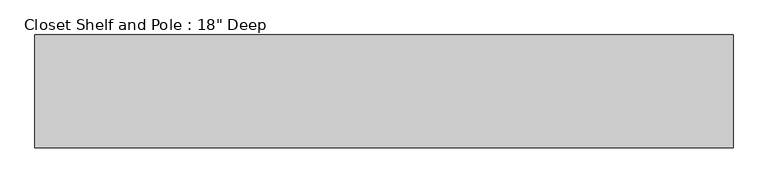
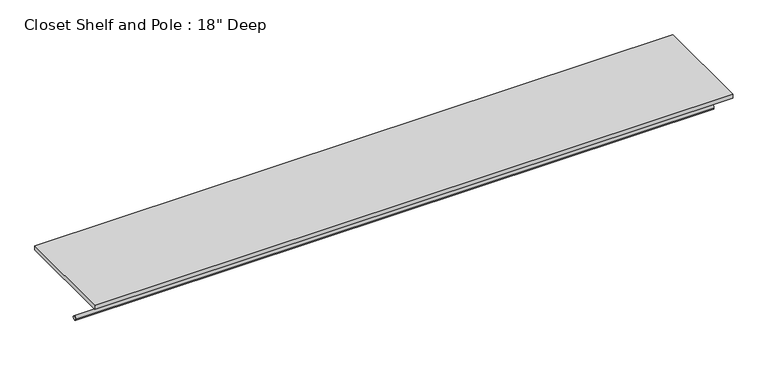
"""IFC4 building model written with IfcOpenShell, lengths in millimetres: proxy geometry."""

from ifc_helpers import new_model, si_unit, point, frame, frame_2d, origin, place, context, project, spatial, polyline, circle_curve, trimmed, segment, composite_curve, outline, extrude, source, transform, mapped, element, save


def proxy_11c87057(model_context):
    return source(origin(), model_context, "Body", "SweptSolid", [
        extrude(outline(composite_curve([segment(trimmed(circle_curve(frame_2d((-304.8, 1676.4)), 9.525), [point((-314.325, 1676.4))], [point((-295.275, 1676.4))], False, "CARTESIAN"), True, "CONTINUOUS"), segment(trimmed(circle_curve(frame_2d((-304.8, 1676.4)), 9.525), [point((-295.275, 1676.4))], [point((-314.325, 1676.4))], False, "CARTESIAN"), True, "CONTINUOUS")], self_intersect=False)), frame((0.0, 0.0, 0.0), z_axis=(1.0, 0.0, 0.0), x_axis=(0.0, 1.0, 0.0)), (0.0, 0.0, 1.0), 2828.5131388),
        extrude(outline(polyline([(2828.5131388, 0.0), (2828.5131388, -457.2), (0.0, -457.2), (0.0, 0.0), (2828.5131388, 0.0)])), frame((0.0, 0.0, 1809.75), z_axis=(0.0, 0.0, 1.0), x_axis=(1.0, 0.0, 0.0)), (0.0, 0.0, 1.0), 19.05),
    ])


if __name__ == "__main__":
    model = new_model("IFC4")
    model_context = context("Model", 3, world=origin())
    ifc_project = project(units=[si_unit("LENGTHUNIT", "METRE", prefix="MILLI")], contexts=[model_context])
    site = spatial("IfcSite", under=ifc_project)
    building = spatial("IfcBuilding", under=site)
    placement = place(None, origin())
    proxy_shape = proxy_11c87057(model_context)
    element("IfcBuildingElementProxy", 1, Name="Closet Shelf and Pole : 18\" Deep", ObjectType="Closet Shelf and Pole : 18\" Deep", at=placement, inside=building, context=model_context, shape_type="MappedRepresentation", body=[
        mapped(proxy_shape, transform((0.0, 0.0, 0.0), x_axis=(1.0, 0.0, 0.0), y_axis=(0.0, 1.0, 0.0), z_axis=(0.0, 0.0, 1.0))),
    ])
    save(model, "model.ifc")
